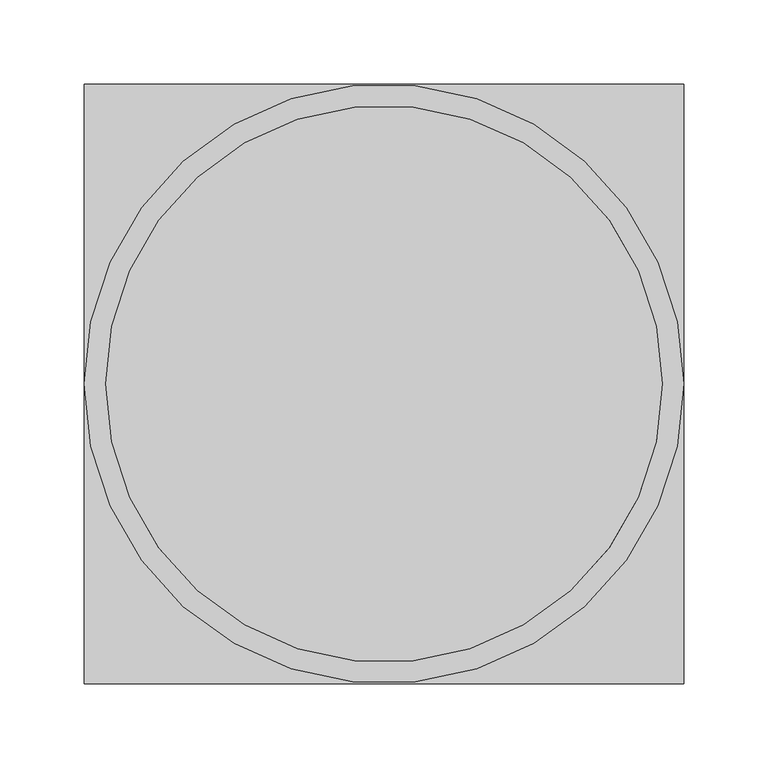
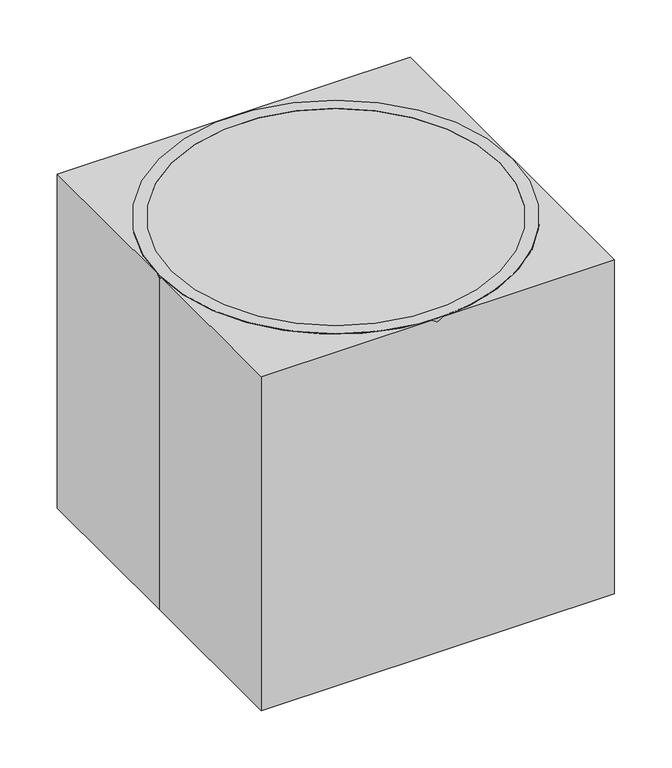
"""IFC4 building model written with IfcOpenShell, lengths in millimetres: proxy geometry."""

import ifcopenshell
import ifcopenshell.guid

model = None  # the IFC model being written
_history = None  # IfcOwnerHistory: only IFC2X3 demands one
_inside = {}  # id of a spatial element -> (the spatial element, [elements in it])
_under = {}  # id of a project, library or spatial element -> (it, [spatial elements below it])
_declared = {}  # id of a project -> (the project, [libraries it declares])
_typed = {}  # id of a type object -> (the type object, [elements of that type])
_made_of = {}  # id of a material, layer set ... -> (it, [elements and type objects made of it])


def new_model(schema):
    """Start an empty IFC model of exactly this schema.

    Asked for "IFC4X3", IfcOpenShell would pick the latest addendum, in which some entities
    have other attributes; the version numbers below select the first issue.
    IFC2X3 requires an IfcOwnerHistory on every rooted entity: one is made here for all.
    """
    global model, _history
    if schema == "IFC4X3":
        model = ifcopenshell.file(schema_version=(4, 3, 0, 0))
    else:
        model = ifcopenshell.file(schema=schema)
    _inside.clear()
    _under.clear()
    _declared.clear()
    _typed.clear()
    _made_of.clear()
    _history = None
    if model.schema == "IFC2X3":
        org = make("IfcOrganization", Name="unknown")
        user = make(
            "IfcPersonAndOrganization",
            ThePerson=make("IfcPerson", FamilyName="unknown"),
            TheOrganization=org,
        )
        app = make(
            "IfcApplication",
            ApplicationDeveloper=org,
            Version="unknown",
            ApplicationFullName="unknown",
            ApplicationIdentifier="unknown",
        )
        _history = make(
            "IfcOwnerHistory",
            OwningUser=user,
            OwningApplication=app,
            ChangeAction="ADDED",
            CreationDate=0,
        )
    return model


def make(cls, **values):
    """One entity of the class cls with the attributes given. An attribute that is None is left unset."""
    return model.create_entity(
        cls, **{name: value for name, value in values.items() if value is not None}
    )


def rooted(cls, **values):
    """An entity with a GlobalId (a new one), such as an element, a storey or a relation."""
    return make(cls, GlobalId=ifcopenshell.guid.new(), OwnerHistory=_history, **values)


def si_unit(unit_type, name, prefix=None):
    """IfcSIUnit, for example si_unit("LENGTHUNIT", "METRE", prefix="MILLI")."""
    return make("IfcSIUnit", UnitType=unit_type, Prefix=prefix, Name=name)


def assignment(units):
    """IfcUnitAssignment: the units of a project."""
    return None if units is None else make("IfcUnitAssignment", Units=units)


def point(xyz):
    """IfcCartesianPoint."""
    return None if xyz is None else make("IfcCartesianPoint", Coordinates=xyz)


def direction(xyz):
    """IfcDirection."""
    return None if xyz is None else make("IfcDirection", DirectionRatios=xyz)


def frame(location, z_axis=None, x_axis=None):
    """IfcAxis2Placement3D, a coordinate frame: its origin and axes. An axis left out is left unset."""
    return make(
        "IfcAxis2Placement3D",
        Location=point(location),
        Axis=direction(z_axis),
        RefDirection=direction(x_axis),
    )


def origin():
    """The frame at (0, 0, 0) with its axes left unset."""
    return frame((0.0, 0.0, 0.0))


def origin_with_axes():
    """The frame at (0, 0, 0) with the z axis (0, 0, 1) and the x axis (1, 0, 0) written out."""
    return frame((0.0, 0.0, 0.0), z_axis=(0.0, 0.0, 1.0), x_axis=(1.0, 0.0, 0.0))


def place(relative_to, where):
    """IfcLocalPlacement: puts the frame where relative to a parent placement (None: the world)."""
    return make(
        "IfcLocalPlacement", PlacementRelTo=relative_to, RelativePlacement=where
    )


def context(
    kind, dimensions, precision=None, world=None, true_north=None, identifier=None
):
    """IfcGeometricRepresentationContext, for example the 3D "Model" context."""
    return make(
        "IfcGeometricRepresentationContext",
        ContextIdentifier=identifier,
        ContextType=kind,
        CoordinateSpaceDimension=dimensions,
        Precision=precision,
        WorldCoordinateSystem=world,
        TrueNorth=true_north,
    )


def project(units=None, contexts=None):
    """IfcProject with its units and contexts."""
    return rooted(
        "IfcProject",
        Name="project",
        RepresentationContexts=contexts,
        UnitsInContext=assignment(units),
    )


def spatial(cls, under=None, at=None, **own):
    """A site, building, storey or space (cls), placed at a placement, below another one or the project."""
    s = rooted(cls, ObjectPlacement=at, **own)
    if under is not None:
        _under.setdefault(under.id(), (under, []))[1].append(s)
    return s


def polyline(points):
    """IfcPolyline through the points."""
    return make("IfcPolyline", Points=[point(p) for p in points])


def circle_curve(where, radius):
    """IfcCircle in the frame where."""
    return make("IfcCircle", Position=where, Radius=radius)


def outline(outer, holes=None, kind="AREA"):
    """IfcArbitraryClosedProfileDef: a profile drawn as a closed curve; with holes, ...WithVoids."""
    if holes is None:
        return make("IfcArbitraryClosedProfileDef", ProfileType=kind, OuterCurve=outer)
    return make(
        "IfcArbitraryProfileDefWithVoids",
        ProfileType=kind,
        OuterCurve=outer,
        InnerCurves=holes,
    )


def extrude(swept, where, along, depth):
    """IfcExtrudedAreaSolid: the profile swept, set in the frame where, extruded along a direction by depth."""
    return make(
        "IfcExtrudedAreaSolid",
        SweptArea=swept,
        Position=where,
        ExtrudedDirection=direction(along),
        Depth=depth,
    )


def shape(context_of_items, identifier, shape_type, items):
    """IfcShapeRepresentation: the items that make up one representation, for example the "Body"."""
    return make(
        "IfcShapeRepresentation",
        ContextOfItems=context_of_items,
        RepresentationIdentifier=identifier,
        RepresentationType=shape_type,
        Items=items,
    )


def source(mapping_origin, context_of_items, identifier, shape_type, items):
    """IfcRepresentationMap: a shape defined once, which mapped items show again and again."""
    return make(
        "IfcRepresentationMap",
        MappingOrigin=mapping_origin,
        MappedRepresentation=shape(context_of_items, identifier, shape_type, items),
    )


def transform(
    local_origin,
    x_axis=None,
    y_axis=None,
    z_axis=None,
    scale=None,
    scale2=None,
    scale3=None,
    uniform=True,
):
    """IfcCartesianTransformationOperator3D, or its non-uniform kind. x_axis, y_axis, z_axis: its Axis1, 2, 3."""
    if uniform:
        return make(
            "IfcCartesianTransformationOperator3D",
            Axis1=direction(x_axis),
            Axis2=direction(y_axis),
            LocalOrigin=point(local_origin),
            Scale=scale,
            Axis3=direction(z_axis),
        )
    return make(
        "IfcCartesianTransformationOperator3DnonUniform",
        Axis1=direction(x_axis),
        Axis2=direction(y_axis),
        LocalOrigin=point(local_origin),
        Scale=scale,
        Axis3=direction(z_axis),
        Scale2=scale2,
        Scale3=scale3,
    )


def mapped(mapping_source, mapping_target):
    """IfcMappedItem: shows the shape of a source again, moved by a transform."""
    return make(
        "IfcMappedItem", MappingSource=mapping_source, MappingTarget=mapping_target
    )


def made_of(thing, what):
    """Note that an element or type object is made of a material, layer set ...; save() writes the relation."""
    if what is not None:
        _made_of.setdefault(what.id(), (what, []))[1].append(thing)
    return thing


def element(
    cls,
    number,
    at=None,
    inside=None,
    cuts=None,
    type_object=None,
    material=None,
    context=None,
    identifier="Body",
    shape_type=None,
    held_by="IfcProductDefinitionShape",
    body=None,
    shapes=None,
    **own,
):
    """One element of the class cls, such as IfcWall. Its Tag is "e" and its number.

    at: its placement. inside: the storey or other place that contains it. cuts: it is an
    opening in that element (IfcRelVoidsElement). A single representation is given by context,
    identifier, shape_type and body (its items); several are given by shapes. held_by: the class
    of the entity that holds the representations. save() writes the other relations.
    """
    e = rooted(cls, Tag="e%d" % number, ObjectPlacement=at, **own)
    if body is not None:
        shapes = [shape(context, identifier, shape_type, body)]
    if shapes is not None:
        e.Representation = make(held_by, Representations=shapes)
    if inside is not None:
        _inside.setdefault(inside.id(), (inside, []))[1].append(e)
    if cuts is not None:
        rooted(
            "IfcRelVoidsElement", RelatingBuildingElement=cuts, RelatedOpeningElement=e
        )
    if type_object is not None:
        _typed.setdefault(type_object.id(), (type_object, []))[1].append(e)
    return made_of(e, material)


def aggregate(whole, parts):
    """IfcRelAggregates: a whole, such as a stair, and the parts it consists of."""
    return rooted("IfcRelAggregates", RelatingObject=whole, RelatedObjects=parts)


def save(model, path):
    """Write the relations noted so far, then the file.

    IfcRelAggregates (storeys below a building ...), IfcRelContainedInSpatialStructure (elements
    in a storey), IfcRelDefinesByType, IfcRelAssociatesMaterial and IfcRelDeclares: one each for
    every whole, place, type object, material and project.
    """
    for whole, parts in _under.values():
        aggregate(whole, parts)
    for where, things in _inside.values():
        rooted(
            "IfcRelContainedInSpatialStructure",
            RelatedElements=things,
            RelatingStructure=where,
        )
    for kind, things in _typed.values():
        rooted("IfcRelDefinesByType", RelatedObjects=things, RelatingType=kind)
    for what, things in _made_of.values():
        rooted("IfcRelAssociatesMaterial", RelatedObjects=things, RelatingMaterial=what)
    for by, libraries in _declared.values():
        rooted("IfcRelDeclares", RelatingContext=by, RelatedDefinitions=libraries)
    model.write(path)


def plane_surface(at):
    """IfcPlane: the flat surface through the origin of the frame at, square to its z axis."""
    return make("IfcPlane", Position=at)


def revolved_surface(curve, axis_point, axis_direction):
    """IfcSurfaceOfRevolution: the curve turned about the line through axis_point along axis_direction."""
    return make(
        "IfcSurfaceOfRevolution",
        SweptCurve=make("IfcArbitraryOpenProfileDef", ProfileType="CURVE", Curve=curve),
        AxisPosition=make("IfcAxis1Placement", Location=point(axis_point), Axis=direction(axis_direction)),
    )


def advanced_brep(points, edges, surfaces, faces):
    """IfcAdvancedBrep: a solid bounded by faces that lie on surfaces and meet in shared edges.

    An edge is (start, end): straight between two places in points (the first is 0);
    or (start, end, curve); or (start, end, curve, False) where it runs against its curve.
    A face is (place in surfaces, loops), or (place, loops, False) where it looks against
    its surface's normal. A loop lists edges by number (the first is 1), with a minus sign
    where the edge is run from its end to its start. The first loop is the outer one.
    """
    corners = [point(p) for p in points]
    vertices = [make("IfcVertexPoint", VertexGeometry=c) for c in corners]
    made = []
    for start, end, *more in edges:
        made.append(
            make(
                "IfcEdgeCurve",
                EdgeStart=vertices[start],
                EdgeEnd=vertices[end],
                EdgeGeometry=more[0] if more else make("IfcPolyline", Points=[corners[start], corners[end]]),
                SameSense=more[1] if len(more) > 1 else True,
            )
        )
    hull = []
    for where, loops, *sense in faces:
        bounds = []
        for j, loop in enumerate(loops):
            ring = [make("IfcOrientedEdge", EdgeElement=made[abs(k) - 1], Orientation=k > 0) for k in loop]
            bounds.append(
                make(
                    "IfcFaceOuterBound" if j == 0 else "IfcFaceBound",
                    Bound=make("IfcEdgeLoop", EdgeList=ring),
                    Orientation=True,
                )
            )
        hull.append(make("IfcAdvancedFace", Bounds=bounds, FaceSurface=surfaces[where], SameSense=sense[0] if sense else True))
    return make("IfcAdvancedBrep", Outer=make("IfcClosedShell", CfsFaces=hull))


def specialty_equipment_c63f0c81(model_context):
    return source(origin(), model_context, "Body", "SolidModel", [
        advanced_brep(
        [(-127.0, 0.0, 0.0), (127.0, 0.0, 0.0), (-177.8, 0.0, 355.6), (177.8, 0.0, 355.6), (-165.1, 0.0, 355.6), (165.1, 0.0, 355.6), (114.3, 0.0, 19.5959229), (-114.3, 0.0, 19.5959229)],
        [
            (0, 1, circle_curve(frame((0.0, 0.0, 0.0), z_axis=(0.0, 0.0, -1.0), x_axis=(-1.0, 0.0, 0.0)), 127.0)),
            (1, 0, circle_curve(frame((0.0, 0.0, 0.0), z_axis=(0.0, 0.0, -1.0), x_axis=(1.0, 0.0, 0.0)), 127.0)),
            (2, 3, circle_curve(frame((0.0, 0.0, 355.6), z_axis=(0.0, 0.0, 1.0), x_axis=(1.0, 0.0, 0.0)), 177.8)),
            (3, 2, circle_curve(frame((0.0, 0.0, 355.6), z_axis=(0.0, 0.0, 1.0), x_axis=(-1.0, 0.0, 0.0)), 177.8)),
            (4, 5, circle_curve(frame((0.0, 0.0, 355.6), z_axis=(0.0, 0.0, -1.0), x_axis=(-1.0, 0.0, 0.0)), 165.1)),
            (5, 4, circle_curve(frame((0.0, 0.0, 355.6), z_axis=(0.0, 0.0, -1.0), x_axis=(1.0, 0.0, 0.0)), 165.1)),
            (1, 3),
            (2, 0),
            (6, 7, circle_curve(frame((0.0, 0.0, 19.5959229), z_axis=(0.0, 0.0, 1.0), x_axis=(-1.0, 0.0, 0.0)), 114.3)),
            (7, 6, circle_curve(frame((0.0, 0.0, 19.5959229), z_axis=(0.0, 0.0, 1.0), x_axis=(1.0, 0.0, 0.0)), 114.3)),
            (6, 5),
            (4, 7),
        ],
        [
            plane_surface(frame((0.0, 0.0, 0.0), z_axis=(0.0, 0.0, -1.0), x_axis=(0.0, -1.0, 0.0))),
            plane_surface(frame((0.0, 0.0, 355.6), z_axis=(0.0, 0.0, 1.0), x_axis=(0.0, -1.0, 0.0))),
            revolved_surface(polyline([(127.00000000000001, 0.0, 0.0), (177.8, 0.0, 355.5999999999999)]), (0.0, 0.0, -889.0), (0.0, 0.0, 1.0)),
            revolved_surface(polyline([(-127.00000000000001, 0.0, 0.0), (-177.8, 0.0, 355.5999999999999)]), (0.0, 0.0, -889.0), (0.0, 0.0, 1.0)),
            plane_surface(frame((0.0, 0.0, 19.5959229), z_axis=(0.0, 0.0, 1.0), x_axis=(0.0, -1.0, 0.0))),
            revolved_surface(polyline([(165.1, 0.0, 355.60000000000014), (114.299999996511, 0.0, 19.595922900000005)]), (0.0, 0.0, -736.4132505), (0.0, 0.0, 1.0)),
            revolved_surface(polyline([(-165.1, 0.0, 355.60000000000014), (-114.299999996511, 0.0, 19.595922900000005)]), (0.0, 0.0, -736.4132505), (0.0, 0.0, 1.0)),
        ],
        [
            (0, [[1, 2]]),
            (1, [[3, 4], [5, 6]]),
            (2, [[-2, 7, -3, 8]]),
            (3, [[-1, -8, -4, -7]]),
            (4, [[9, 10]]),
            (5, [[-9, 11, -5, 12]]),
            (6, [[-10, -12, -6, -11]]),
        ],
    ),
        extrude(outline(polyline([(-177.8, 177.8), (177.8, 177.8), (177.8, -177.8), (-177.8, -177.8), (-177.8, 0.0), (-177.8, 177.8)])), origin_with_axes(), (0.0, 0.0, 1.0), 355.6),
    ])


if __name__ == "__main__":
    model = new_model("IFC4")
    model_context = context("Model", 3, world=origin())
    ifc_project = project(units=[si_unit("LENGTHUNIT", "METRE", prefix="MILLI")], contexts=[model_context])
    site = spatial("IfcSite", under=ifc_project)
    building = spatial("IfcBuilding", under=site)
    placement = place(None, origin())
    specialty_equipment_shape = specialty_equipment_c63f0c81(model_context)
    element("IfcBuildingElementProxy", 1, Name="Specialty Equipment", at=placement, inside=building, context=model_context, shape_type="MappedRepresentation", body=[
        mapped(specialty_equipment_shape, transform((0.0, 0.0, 0.0), x_axis=(1.0, 0.0, 0.0), y_axis=(0.0, 1.0, 0.0), z_axis=(0.0, 0.0, 1.0))),
    ])
    save(model, "model.ifc")
